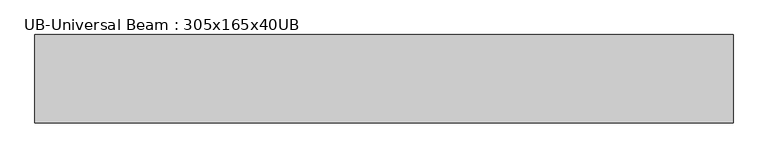
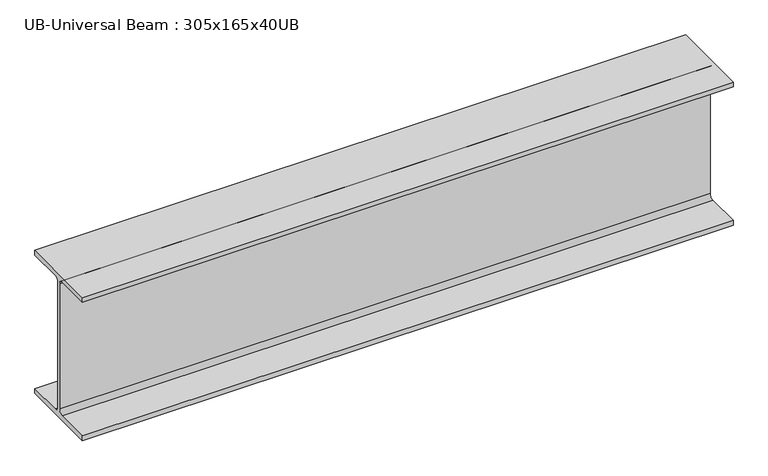
"""IFC4 building model written with IfcOpenShell, lengths in millimetres: beam geometry, UB-Universal Beam : 305x165x40UB."""

from ifc_helpers import new_model, si_unit, point, frame, frame_2d, origin, place, context, project, spatial, polyline, circle_curve, trimmed, segment, composite_curve, outline, extrude, source, transform, mapped, element, save


def ub_universal_beam_305x165x40ub_18bf8ca4(model_context):
    return source(origin(), model_context, "Body", "SweptSolid", [
        extrude(outline(composite_curve([segment(polyline([(82.5, -141.5), (82.5, -151.7), (-82.5, -151.7), (-82.5, -141.5), (-11.9, -141.5)]), True, "CONTINUOUS"), segment(trimmed(circle_curve(frame_2d((-11.9, -132.6)), 8.9), [point((-11.9, -141.5))], [point((-3.0, -132.6))], True, "CARTESIAN"), True, "CONTINUOUS"), segment(polyline([(-3.0, -132.6), (-3.0, 132.6)]), True, "CONTINUOUS"), segment(trimmed(circle_curve(frame_2d((-11.9, 132.6)), 8.9), [point((-3.0, 132.6))], [point((-11.9, 141.5))], True, "CARTESIAN"), True, "CONTINUOUS"), segment(polyline([(-11.9, 141.5), (-82.5, 141.5), (-82.5, 151.7), (82.5, 151.7), (82.5, 141.5), (11.9, 141.5)]), True, "CONTINUOUS"), segment(trimmed(circle_curve(frame_2d((11.9, 132.6)), 8.9), [point((11.9, 141.5))], [point((3.0, 132.6))], True, "CARTESIAN"), True, "CONTINUOUS"), segment(polyline([(3.0, 132.6), (3.0, -132.6)]), True, "CONTINUOUS"), segment(trimmed(circle_curve(frame_2d((11.9, -132.6)), 8.9), [point((3.0, -132.6))], [point((11.9, -141.5))], True, "CARTESIAN"), True, "CONTINUOUS"), segment(polyline([(11.9, -141.5), (82.5, -141.5)]), True, "CONTINUOUS")], self_intersect=False)), frame((-650.7, 0.0, 0.0), z_axis=(1.0, 0.0, 0.0), x_axis=(0.0, 1.0, 0.0)), (0.0, 0.0, 1.0), 1305.5),
    ])


if __name__ == "__main__":
    model = new_model("IFC4")
    model_context = context("Model", 3, world=origin())
    ifc_project = project(units=[si_unit("LENGTHUNIT", "METRE", prefix="MILLI")], contexts=[model_context])
    site = spatial("IfcSite", under=ifc_project)
    building = spatial("IfcBuilding", under=site)
    placement = place(None, origin())
    ub_universal_beam_305x165x40ub_shape = ub_universal_beam_305x165x40ub_18bf8ca4(model_context)
    element("IfcBeam", 1, ObjectType="UB-Universal Beam : 305x165x40UB", at=placement, inside=building, context=model_context, shape_type="MappedRepresentation", body=[
        mapped(ub_universal_beam_305x165x40ub_shape, transform((0.0, 0.0, 0.0), x_axis=(1.0, 0.0, 0.0), y_axis=(0.0, 1.0, 0.0), z_axis=(0.0, 0.0, 1.0))),
    ])
    save(model, "model.ifc")
